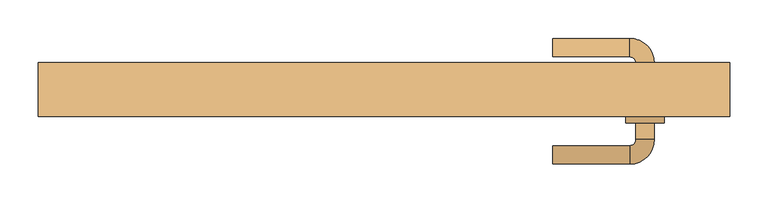
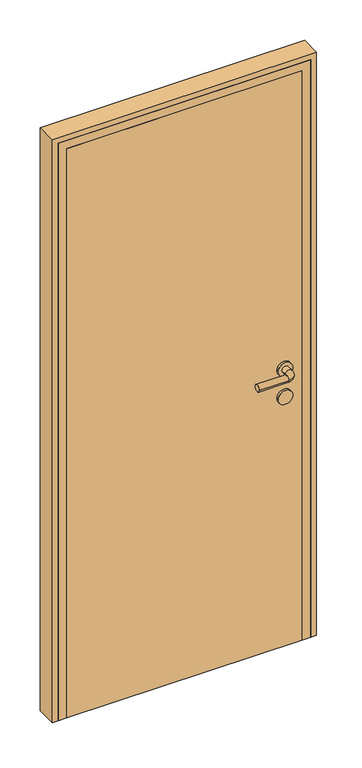
"""IFC4 building model written with IfcOpenShell, lengths in millimetres: door geometry."""

from ifc_helpers import new_model, si_unit, point, frame, frame_2d, origin, origin_with_axes, place, context, project, spatial, polyline, circle_curve, ellipse_curve, trimmed, segment, composite_curve, outline, extrude, faceted_brep, source, transform, mapped, element, save
from ifc_brep_helpers import plane_surface, cylinder_surface, revolved_surface, advanced_brep


def door_1c5bcb9f(model_context):
    return source(origin(), model_context, "Body", "SolidModel", [
        advanced_brep(
        [(220.0, -112.0, 1000.0), (220.0, -88.0, 1000.0), (320.0, -112.0, 1000.0), (320.0, -88.0, 1000.0), (352.0, -80.0, 1000.0), (328.0, -80.0, 1000.0), (352.0, -58.0, 1000.0), (328.0, -58.0, 1000.0), (352.0, 20.0, 1000.0), (328.0, 20.0, 1000.0), (328.0, -2.0, 1000.0), (352.0, -2.0, 1000.0), (320.0, 52.0, 1000.0), (320.0, 28.0, 1000.0), (220.0, 52.0, 1000.0), (220.0, 28.0, 1000.0), (365.0, -58.0, 1000.0), (315.0, -58.0, 1000.0), (365.0, -2.0, 1000.0), (315.0, -2.0, 1000.0)],
        [
            (0, 1, circle_curve(frame((220.0, -100.0, 1000.0), z_axis=(-1.0, 0.0, 0.0), x_axis=(0.0, 1.0, 0.0)), 12.0)),
            (1, 0, circle_curve(frame((220.0, -100.0, 1000.0), z_axis=(-1.0, 0.0, 0.0), x_axis=(0.0, 1.0, 0.0)), 12.0)),
            (0, 2),
            (2, 3, circle_curve(frame((320.0, -100.0, 1000.0), z_axis=(-1.0, 0.0, 0.0), x_axis=(0.0, 1.0, 0.0)), 12.0)),
            (3, 1),
            (3, 2, circle_curve(frame((320.0, -100.0, 1000.0), z_axis=(-1.0, 0.0, 0.0), x_axis=(0.0, 1.0, 0.0)), 12.0)),
            (2, 4, circle_curve(frame((320.0, -80.0, 1000.0), z_axis=(0.0, 0.0, 1.0), x_axis=(0.0, -1.0, 0.0)), 32.0)),
            (4, 5, circle_curve(frame((340.0, -80.0, 1000.0), z_axis=(0.0, -1.0, 0.0), x_axis=(-1.0, 0.0, 0.0)), 12.0)),
            (5, 3, circle_curve(frame((320.0, -80.0, 1000.0), z_axis=(0.0, 0.0, -1.0), x_axis=(0.0, -1.0, 0.0)), 8.0)),
            (5, 4, circle_curve(frame((340.0, -80.0, 1000.0), z_axis=(0.0, -1.0, 0.0), x_axis=(-1.0, 0.0, 0.0)), 12.0)),
            (4, 6),
            (6, 7, circle_curve(frame((340.0, -58.0, 1000.0), z_axis=(0.0, -1.0, 0.0), x_axis=(-1.0, 0.0, 0.0)), 12.0)),
            (7, 5),
            (8, 9, circle_curve(frame((340.0, 20.0, 1000.0), z_axis=(0.0, -1.0, 0.0), x_axis=(-1.0, 0.0, 0.0)), 12.0)),
            (9, 10),
            (10, 11, circle_curve(frame((340.0, -2.0, 1000.0), z_axis=(0.0, 1.0, 0.0), x_axis=(-1.0, 0.0, 0.0)), 12.0)),
            (11, 8),
            (7, 6, circle_curve(frame((340.0, -58.0, 1000.0), z_axis=(0.0, -1.0, 0.0), x_axis=(-1.0, 0.0, 0.0)), 12.0)),
            (9, 8, circle_curve(frame((340.0, 20.0, 1000.0), z_axis=(0.0, -1.0, 0.0), x_axis=(-1.0, 0.0, 0.0)), 12.0)),
            (11, 10, circle_curve(frame((340.0, -2.0, 1000.0), z_axis=(0.0, 1.0, 0.0), x_axis=(-1.0, 0.0, 0.0)), 12.0)),
            (8, 12, circle_curve(frame((320.0, 20.0, 1000.0), z_axis=(0.0, 0.0, 1.0), x_axis=(1.0, 0.0, 0.0)), 32.0)),
            (12, 13, circle_curve(frame((320.0, 40.0, 1000.0), z_axis=(1.0, 0.0, 0.0), x_axis=(0.0, -1.0, 0.0)), 12.0)),
            (13, 9, circle_curve(frame((320.0, 20.0, 1000.0), z_axis=(0.0, 0.0, -1.0), x_axis=(1.0, 0.0, 0.0)), 8.0)),
            (13, 12, circle_curve(frame((320.0, 40.0, 1000.0), z_axis=(1.0, 0.0, 0.0), x_axis=(0.0, -1.0, 0.0)), 12.0)),
            (14, 15, circle_curve(frame((220.0, 40.0, 1000.0), z_axis=(-1.0, 0.0, 0.0), x_axis=(0.0, -1.0, 0.0)), 12.0)),
            (15, 14, circle_curve(frame((220.0, 40.0, 1000.0), z_axis=(-1.0, 0.0, 0.0), x_axis=(0.0, -1.0, 0.0)), 12.0)),
            (12, 14),
            (15, 13),
            (16, 17, circle_curve(frame((340.0, -58.0, 1000.0), z_axis=(0.0, -1.0, 0.0), x_axis=(-1.0, 0.0, 0.0)), 25.0)),
            (17, 16, circle_curve(frame((340.0, -58.0, 1000.0), z_axis=(0.0, -1.0, 0.0), x_axis=(-1.0, 0.0, 0.0)), 25.0)),
            (18, 19, circle_curve(frame((340.0, -2.0, 1000.0), z_axis=(0.0, 1.0, 0.0), x_axis=(-1.0, 0.0, 0.0)), 25.0)),
            (19, 18, circle_curve(frame((340.0, -2.0, 1000.0), z_axis=(0.0, 1.0, 0.0), x_axis=(-1.0, 0.0, 0.0)), 25.0)),
            (17, 19),
            (18, 16),
        ],
        [
            plane_surface(frame((220.0, -100.0, 1000.0), z_axis=(-1.0, 0.0, 0.0), x_axis=(0.0, 0.0, 1.0))),
            cylinder_surface(frame((220.0, -100.0, 1000.0), z_axis=(-1.0, 0.0, 0.0), x_axis=(0.0, 1.0, 0.0)), 12.0),
            revolved_surface(trimmed(ellipse_curve(frame((320.0, -100.0, 1000.0), z_axis=(-1.0, 0.0, 0.0), x_axis=(0.0, 1.0, 0.0)), 12.0, 12.0), [point((320.0, -112.0, 1000.0))], [point((320.0, -88.0, 1000.0))], True, "CARTESIAN"), (320.0, -80.0, 1000.0), (0.0, 0.0, 1.0)),
            revolved_surface(trimmed(ellipse_curve(frame((320.0, -100.0, 1000.0), z_axis=(-1.0, 0.0, 0.0), x_axis=(0.0, 1.0, 0.0)), 12.0, 12.0), [point((320.0, -88.0, 1000.0))], [point((320.0, -112.0, 1000.0))], True, "CARTESIAN"), (320.0, -80.0, 1000.0), (0.0, 0.0, 1.0)),
            cylinder_surface(frame((340.0, -80.0, 1000.0), z_axis=(0.0, -1.0, 0.0), x_axis=(-1.0, 0.0, 0.0)), 12.0),
            revolved_surface(trimmed(ellipse_curve(frame((340.0, 20.0, 1000.0), z_axis=(0.0, -1.0, 0.0), x_axis=(-1.0, 0.0, 0.0)), 12.0, 12.0), [point((352.0, 20.0, 1000.0))], [point((328.0, 20.0, 1000.0))], True, "CARTESIAN"), (320.0, 20.0, 1000.0), (0.0, 0.0, 1.0)),
            revolved_surface(trimmed(ellipse_curve(frame((340.0, 20.0, 1000.0), z_axis=(0.0, -1.0, 0.0), x_axis=(-1.0, 0.0, 0.0)), 12.0, 12.0), [point((328.0, 20.0, 1000.0))], [point((352.0, 20.0, 1000.0))], True, "CARTESIAN"), (320.0, 20.0, 1000.0), (0.0, 0.0, 1.0)),
            plane_surface(frame((220.0, 40.0, 1000.0), z_axis=(-1.0, 0.0, 0.0), x_axis=(0.0, 0.0, 1.0))),
            cylinder_surface(frame((320.0, 40.0, 1000.0), z_axis=(1.0, 0.0, 0.0), x_axis=(0.0, -1.0, 0.0)), 12.0),
            plane_surface(frame((315.0, -58.0, 1000.0), z_axis=(0.0, -1.0, 0.0), x_axis=(0.0, 0.0, -1.0))),
            plane_surface(frame((315.0, -2.0, 1000.0), z_axis=(0.0, 1.0, 0.0), x_axis=(0.0, 0.0, 1.0))),
            cylinder_surface(frame((340.0, -58.0, 1000.0), z_axis=(0.0, 1.0, 0.0), x_axis=(-1.0, 0.0, 0.0)), 25.0),
        ],
        [
            (0, [[1, 2]]),
            (1, [[-1, 3, 4, 5]]),
            (1, [[-2, -5, 6, -3]]),
            (2, [[-4, 7, 8, 9]]),
            (3, [[-6, -9, 10, -7]]),
            (4, [[-8, 11, 12, 13]]),
            (4, [[14, 15, 16, 17]]),
            (4, [[-10, -13, 18, -11]]),
            (4, [[19, -17, 20, -15]]),
            (5, [[-14, 21, 22, 23]]),
            (6, [[-19, -23, 24, -21]]),
            (7, [[25, 26]]),
            (8, [[-22, 27, -26, 28]]),
            (8, [[-24, -28, -25, -27]]),
            (9, [[29, 30], [-12, -18]]),
            (10, [[31, 32], [-16, -20]]),
            (11, [[-30, 33, -31, 34]]),
            (11, [[-29, -34, -32, -33]]),
        ],
    ),
        extrude(outline(composite_curve([segment(trimmed(circle_curve(frame_2d((900.0, 340.0)), 25.0), [point((900.0, 365.0))], [point((900.0, 315.0))], False, "CARTESIAN"), True, "CONTINUOUS"), segment(trimmed(circle_curve(frame_2d((900.0, 340.0)), 25.0), [point((900.0, 315.0))], [point((900.0, 365.0))], False, "CARTESIAN"), True, "CONTINUOUS")], self_intersect=False)), frame((0.0, -58.0, 0.0), z_axis=(0.0, 1.0, 0.0), x_axis=(0.0, 0.0, 1.0)), (0.0, 0.0, 1.0), 56.0),
        extrude(outline(polyline([(400.0, -10.0), (400.0, -50.0), (-400.0, -50.0), (-400.0, -10.0), (400.0, -10.0)])), origin_with_axes(), (0.0, 0.0, 1.0), 2050.0),
        extrude(outline(polyline([(0.0, 450.0), (2100.0, 450.0), (2100.0, -450.0), (0.0, -450.0), (0.0, -430.0), (2080.0, -430.0), (2080.0, 430.0), (0.0, 430.0), (0.0, 450.0)])), frame((0.0, -50.0, 0.0), z_axis=(0.0, 1.0, 0.0), x_axis=(0.0, 0.0, 1.0)), (0.0, 0.0, 1.0), 70.0),
        faceted_brep([(-430.0, 20.0, 0.0), (-390.0, 20.0, 0.0), (-390.0, -10.0, 0.0), (-400.0, -10.0, 0.0), (-400.0, -50.0, 0.0), (-430.0, -50.0, 0.0), (-430.0, -50.0, 2080.0), (-430.0, 20.0, 2080.0), (-400.0, -50.0, 2050.0), (400.0, -50.0, 2050.0), (400.0, -50.0, 0.0), (430.0, -50.0, 0.0), (430.0, -50.0, 2080.0), (-400.0, -10.0, 2050.0), (-390.0, -10.0, 2040.0), (390.0, -10.0, 2040.0), (390.0, -10.0, 0.0), (400.0, -10.0, 0.0), (400.0, -10.0, 2050.0), (-390.0, 20.0, 2040.0), (430.0, 20.0, 2080.0), (430.0, 20.0, 0.0), (390.0, 20.0, 0.0), (390.0, 20.0, 2040.0)], [[[0, 1, 2, 3, 4, 5]], [[5, 6, 7, 0]], [[4, 8, 9, 10, 11, 12, 6, 5]], [[3, 13, 8, 4]], [[2, 14, 15, 16, 17, 18, 13, 3]], [[1, 19, 14, 2]], [[0, 7, 20, 21, 22, 23, 19, 1]], [[6, 12, 20, 7]], [[13, 18, 9, 8]], [[19, 23, 15, 14]], [[21, 11, 10, 17, 16, 22]], [[12, 11, 21, 20]], [[18, 17, 10, 9]], [[23, 22, 16, 15]]]),
    ])


if __name__ == "__main__":
    model = new_model("IFC4")
    model_context = context("Model", 3, world=origin())
    ifc_project = project(units=[si_unit("LENGTHUNIT", "METRE", prefix="MILLI")], contexts=[model_context])
    site = spatial("IfcSite", under=ifc_project)
    building = spatial("IfcBuilding", under=site)
    placement = place(None, origin())
    door_shape = door_1c5bcb9f(model_context)
    element("IfcDoor", 1, at=placement, inside=building, context=model_context, shape_type="MappedRepresentation", body=[
        mapped(door_shape, transform((0.0, 0.0, 0.0), x_axis=(1.0, 0.0, 0.0), y_axis=(0.0, 1.0, 0.0), z_axis=(0.0, 0.0, 1.0))),
    ])
    save(model, "model.ifc")
